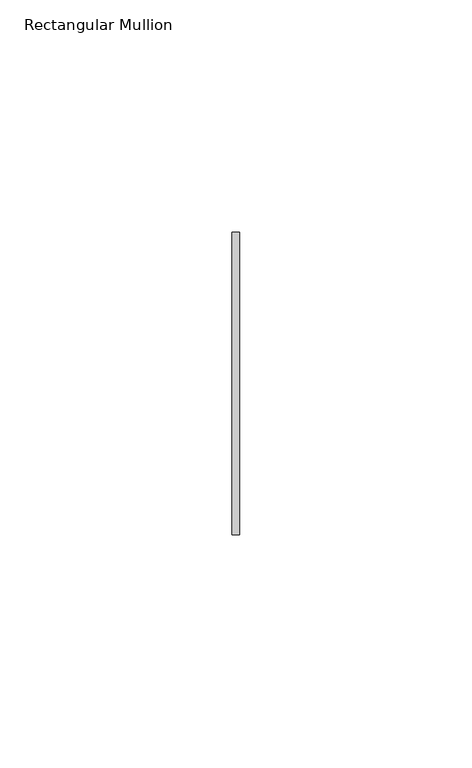
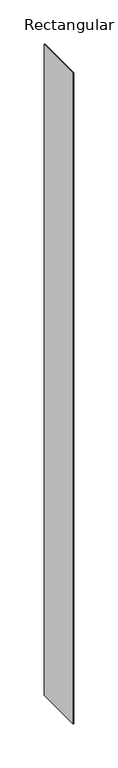
"""IFC4 building model written with IfcOpenShell, lengths in millimetres: member geometry, Rectangular Mullion."""

import ifcopenshell
import ifcopenshell.guid

model = None  # the IFC model being written
_history = None  # IfcOwnerHistory: only IFC2X3 demands one
_inside = {}  # id of a spatial element -> (the spatial element, [elements in it])
_under = {}  # id of a project, library or spatial element -> (it, [spatial elements below it])
_declared = {}  # id of a project -> (the project, [libraries it declares])
_typed = {}  # id of a type object -> (the type object, [elements of that type])
_made_of = {}  # id of a material, layer set ... -> (it, [elements and type objects made of it])


def new_model(schema):
    """Start an empty IFC model of exactly this schema.

    Asked for "IFC4X3", IfcOpenShell would pick the latest addendum, in which some entities
    have other attributes; the version numbers below select the first issue.
    IFC2X3 requires an IfcOwnerHistory on every rooted entity: one is made here for all.
    """
    global model, _history
    if schema == "IFC4X3":
        model = ifcopenshell.file(schema_version=(4, 3, 0, 0))
    else:
        model = ifcopenshell.file(schema=schema)
    _inside.clear()
    _under.clear()
    _declared.clear()
    _typed.clear()
    _made_of.clear()
    _history = None
    if model.schema == "IFC2X3":
        org = make("IfcOrganization", Name="unknown")
        user = make(
            "IfcPersonAndOrganization",
            ThePerson=make("IfcPerson", FamilyName="unknown"),
            TheOrganization=org,
        )
        app = make(
            "IfcApplication",
            ApplicationDeveloper=org,
            Version="unknown",
            ApplicationFullName="unknown",
            ApplicationIdentifier="unknown",
        )
        _history = make(
            "IfcOwnerHistory",
            OwningUser=user,
            OwningApplication=app,
            ChangeAction="ADDED",
            CreationDate=0,
        )
    return model


def make(cls, **values):
    """One entity of the class cls with the attributes given. An attribute that is None is left unset."""
    return model.create_entity(
        cls, **{name: value for name, value in values.items() if value is not None}
    )


def rooted(cls, **values):
    """An entity with a GlobalId (a new one), such as an element, a storey or a relation."""
    return make(cls, GlobalId=ifcopenshell.guid.new(), OwnerHistory=_history, **values)


def si_unit(unit_type, name, prefix=None):
    """IfcSIUnit, for example si_unit("LENGTHUNIT", "METRE", prefix="MILLI")."""
    return make("IfcSIUnit", UnitType=unit_type, Prefix=prefix, Name=name)


def assignment(units):
    """IfcUnitAssignment: the units of a project."""
    return None if units is None else make("IfcUnitAssignment", Units=units)


def point(xyz):
    """IfcCartesianPoint."""
    return None if xyz is None else make("IfcCartesianPoint", Coordinates=xyz)


def direction(xyz):
    """IfcDirection."""
    return None if xyz is None else make("IfcDirection", DirectionRatios=xyz)


def frame(location, z_axis=None, x_axis=None):
    """IfcAxis2Placement3D, a coordinate frame: its origin and axes. An axis left out is left unset."""
    return make(
        "IfcAxis2Placement3D",
        Location=point(location),
        Axis=direction(z_axis),
        RefDirection=direction(x_axis),
    )


def origin():
    """The frame at (0, 0, 0) with its axes left unset."""
    return frame((0.0, 0.0, 0.0))


def place(relative_to, where):
    """IfcLocalPlacement: puts the frame where relative to a parent placement (None: the world)."""
    return make(
        "IfcLocalPlacement", PlacementRelTo=relative_to, RelativePlacement=where
    )


def context(
    kind, dimensions, precision=None, world=None, true_north=None, identifier=None
):
    """IfcGeometricRepresentationContext, for example the 3D "Model" context."""
    return make(
        "IfcGeometricRepresentationContext",
        ContextIdentifier=identifier,
        ContextType=kind,
        CoordinateSpaceDimension=dimensions,
        Precision=precision,
        WorldCoordinateSystem=world,
        TrueNorth=true_north,
    )


def project(units=None, contexts=None):
    """IfcProject with its units and contexts."""
    return rooted(
        "IfcProject",
        Name="project",
        RepresentationContexts=contexts,
        UnitsInContext=assignment(units),
    )


def spatial(cls, under=None, at=None, **own):
    """A site, building, storey or space (cls), placed at a placement, below another one or the project."""
    s = rooted(cls, ObjectPlacement=at, **own)
    if under is not None:
        _under.setdefault(under.id(), (under, []))[1].append(s)
    return s


def polyline(points):
    """IfcPolyline through the points."""
    return make("IfcPolyline", Points=[point(p) for p in points])


def outline(outer, holes=None, kind="AREA"):
    """IfcArbitraryClosedProfileDef: a profile drawn as a closed curve; with holes, ...WithVoids."""
    if holes is None:
        return make("IfcArbitraryClosedProfileDef", ProfileType=kind, OuterCurve=outer)
    return make(
        "IfcArbitraryProfileDefWithVoids",
        ProfileType=kind,
        OuterCurve=outer,
        InnerCurves=holes,
    )


def extrude(swept, where, along, depth):
    """IfcExtrudedAreaSolid: the profile swept, set in the frame where, extruded along a direction by depth."""
    return make(
        "IfcExtrudedAreaSolid",
        SweptArea=swept,
        Position=where,
        ExtrudedDirection=direction(along),
        Depth=depth,
    )


def shape(context_of_items, identifier, shape_type, items):
    """IfcShapeRepresentation: the items that make up one representation, for example the "Body"."""
    return make(
        "IfcShapeRepresentation",
        ContextOfItems=context_of_items,
        RepresentationIdentifier=identifier,
        RepresentationType=shape_type,
        Items=items,
    )


def source(mapping_origin, context_of_items, identifier, shape_type, items):
    """IfcRepresentationMap: a shape defined once, which mapped items show again and again."""
    return make(
        "IfcRepresentationMap",
        MappingOrigin=mapping_origin,
        MappedRepresentation=shape(context_of_items, identifier, shape_type, items),
    )


def transform(
    local_origin,
    x_axis=None,
    y_axis=None,
    z_axis=None,
    scale=None,
    scale2=None,
    scale3=None,
    uniform=True,
):
    """IfcCartesianTransformationOperator3D, or its non-uniform kind. x_axis, y_axis, z_axis: its Axis1, 2, 3."""
    if uniform:
        return make(
            "IfcCartesianTransformationOperator3D",
            Axis1=direction(x_axis),
            Axis2=direction(y_axis),
            LocalOrigin=point(local_origin),
            Scale=scale,
            Axis3=direction(z_axis),
        )
    return make(
        "IfcCartesianTransformationOperator3DnonUniform",
        Axis1=direction(x_axis),
        Axis2=direction(y_axis),
        LocalOrigin=point(local_origin),
        Scale=scale,
        Axis3=direction(z_axis),
        Scale2=scale2,
        Scale3=scale3,
    )


def mapped(mapping_source, mapping_target):
    """IfcMappedItem: shows the shape of a source again, moved by a transform."""
    return make(
        "IfcMappedItem", MappingSource=mapping_source, MappingTarget=mapping_target
    )


def made_of(thing, what):
    """Note that an element or type object is made of a material, layer set ...; save() writes the relation."""
    if what is not None:
        _made_of.setdefault(what.id(), (what, []))[1].append(thing)
    return thing


def element(
    cls,
    number,
    at=None,
    inside=None,
    cuts=None,
    type_object=None,
    material=None,
    context=None,
    identifier="Body",
    shape_type=None,
    held_by="IfcProductDefinitionShape",
    body=None,
    shapes=None,
    **own,
):
    """One element of the class cls, such as IfcWall. Its Tag is "e" and its number.

    at: its placement. inside: the storey or other place that contains it. cuts: it is an
    opening in that element (IfcRelVoidsElement). A single representation is given by context,
    identifier, shape_type and body (its items); several are given by shapes. held_by: the class
    of the entity that holds the representations. save() writes the other relations.
    """
    e = rooted(cls, Tag="e%d" % number, ObjectPlacement=at, **own)
    if body is not None:
        shapes = [shape(context, identifier, shape_type, body)]
    if shapes is not None:
        e.Representation = make(held_by, Representations=shapes)
    if inside is not None:
        _inside.setdefault(inside.id(), (inside, []))[1].append(e)
    if cuts is not None:
        rooted(
            "IfcRelVoidsElement", RelatingBuildingElement=cuts, RelatedOpeningElement=e
        )
    if type_object is not None:
        _typed.setdefault(type_object.id(), (type_object, []))[1].append(e)
    return made_of(e, material)


def aggregate(whole, parts):
    """IfcRelAggregates: a whole, such as a stair, and the parts it consists of."""
    return rooted("IfcRelAggregates", RelatingObject=whole, RelatedObjects=parts)


def save(model, path):
    """Write the relations noted so far, then the file.

    IfcRelAggregates (storeys below a building ...), IfcRelContainedInSpatialStructure (elements
    in a storey), IfcRelDefinesByType, IfcRelAssociatesMaterial and IfcRelDeclares: one each for
    every whole, place, type object, material and project.
    """
    for whole, parts in _under.values():
        aggregate(whole, parts)
    for where, things in _inside.values():
        rooted(
            "IfcRelContainedInSpatialStructure",
            RelatedElements=things,
            RelatingStructure=where,
        )
    for kind, things in _typed.values():
        rooted("IfcRelDefinesByType", RelatedObjects=things, RelatingType=kind)
    for what, things in _made_of.values():
        rooted("IfcRelAssociatesMaterial", RelatedObjects=things, RelatingMaterial=what)
    for by, libraries in _declared.values():
        rooted("IfcRelDeclares", RelatingContext=by, RelatedDefinitions=libraries)
    model.write(path)


def rectangular_mullion_a7663ef3(model_context):
    return source(origin(), model_context, "Body", "SweptSolid", [
        extrude(outline(polyline([(0.0, 32.54375), (0.0, -32.54375), (-1.5875, -32.54375), (-1.5875, 32.54375), (0.0, 32.54375)])), frame((0.0, 0.0, -902.335), z_axis=(0.0, 0.0, 1.0), x_axis=(1.0, 0.0, 0.0)), (0.0, 0.0, 1.0), 902.335),
    ])


if __name__ == "__main__":
    model = new_model("IFC4")
    model_context = context("Model", 3, world=origin())
    ifc_project = project(units=[si_unit("LENGTHUNIT", "METRE", prefix="MILLI")], contexts=[model_context])
    site = spatial("IfcSite", under=ifc_project)
    building = spatial("IfcBuilding", under=site)
    placement = place(None, origin())
    rectangular_mullion_shape = rectangular_mullion_a7663ef3(model_context)
    element("IfcMember", 1, ObjectType="Rectangular Mullion", at=placement, inside=building, context=model_context, shape_type="MappedRepresentation", body=[
        mapped(rectangular_mullion_shape, transform((0.0, 0.0, 0.0), x_axis=(1.0, 0.0, 0.0), y_axis=(0.0, 1.0, 0.0), z_axis=(0.0, 0.0, 1.0))),
    ])
    save(model, "model.ifc")
